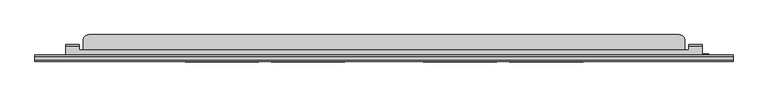
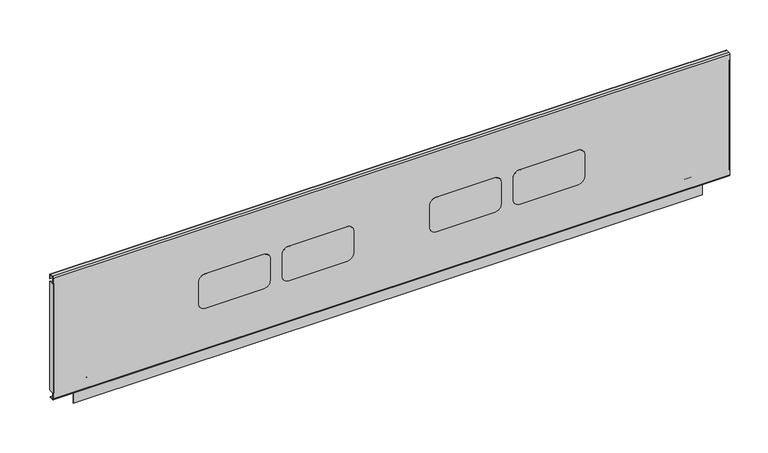
"""IFC4 building model written with IfcOpenShell, lengths in millimetres: furniture geometry."""

import ifcopenshell
import ifcopenshell.guid

model = None  # the IFC model being written
_history = None  # IfcOwnerHistory: only IFC2X3 demands one
_inside = {}  # id of a spatial element -> (the spatial element, [elements in it])
_under = {}  # id of a project, library or spatial element -> (it, [spatial elements below it])
_declared = {}  # id of a project -> (the project, [libraries it declares])
_typed = {}  # id of a type object -> (the type object, [elements of that type])
_made_of = {}  # id of a material, layer set ... -> (it, [elements and type objects made of it])


def new_model(schema):
    """Start an empty IFC model of exactly this schema.

    Asked for "IFC4X3", IfcOpenShell would pick the latest addendum, in which some entities
    have other attributes; the version numbers below select the first issue.
    IFC2X3 requires an IfcOwnerHistory on every rooted entity: one is made here for all.
    """
    global model, _history
    if schema == "IFC4X3":
        model = ifcopenshell.file(schema_version=(4, 3, 0, 0))
    else:
        model = ifcopenshell.file(schema=schema)
    _inside.clear()
    _under.clear()
    _declared.clear()
    _typed.clear()
    _made_of.clear()
    _history = None
    if model.schema == "IFC2X3":
        org = make("IfcOrganization", Name="unknown")
        user = make(
            "IfcPersonAndOrganization",
            ThePerson=make("IfcPerson", FamilyName="unknown"),
            TheOrganization=org,
        )
        app = make(
            "IfcApplication",
            ApplicationDeveloper=org,
            Version="unknown",
            ApplicationFullName="unknown",
            ApplicationIdentifier="unknown",
        )
        _history = make(
            "IfcOwnerHistory",
            OwningUser=user,
            OwningApplication=app,
            ChangeAction="ADDED",
            CreationDate=0,
        )
    return model


def make(cls, **values):
    """One entity of the class cls with the attributes given. An attribute that is None is left unset."""
    return model.create_entity(
        cls, **{name: value for name, value in values.items() if value is not None}
    )


def rooted(cls, **values):
    """An entity with a GlobalId (a new one), such as an element, a storey or a relation."""
    return make(cls, GlobalId=ifcopenshell.guid.new(), OwnerHistory=_history, **values)


def si_unit(unit_type, name, prefix=None):
    """IfcSIUnit, for example si_unit("LENGTHUNIT", "METRE", prefix="MILLI")."""
    return make("IfcSIUnit", UnitType=unit_type, Prefix=prefix, Name=name)


def assignment(units):
    """IfcUnitAssignment: the units of a project."""
    return None if units is None else make("IfcUnitAssignment", Units=units)


def point(xyz):
    """IfcCartesianPoint."""
    return None if xyz is None else make("IfcCartesianPoint", Coordinates=xyz)


def direction(xyz):
    """IfcDirection."""
    return None if xyz is None else make("IfcDirection", DirectionRatios=xyz)


def frame(location, z_axis=None, x_axis=None):
    """IfcAxis2Placement3D, a coordinate frame: its origin and axes. An axis left out is left unset."""
    return make(
        "IfcAxis2Placement3D",
        Location=point(location),
        Axis=direction(z_axis),
        RefDirection=direction(x_axis),
    )


def frame_2d(location, x_axis=None):
    """IfcAxis2Placement2D, a coordinate frame in the plane: its origin and x axis."""
    return make(
        "IfcAxis2Placement2D", Location=point(location), RefDirection=direction(x_axis)
    )


def origin():
    """The frame at (0, 0, 0) with its axes left unset."""
    return frame((0.0, 0.0, 0.0))


def place(relative_to, where):
    """IfcLocalPlacement: puts the frame where relative to a parent placement (None: the world)."""
    return make(
        "IfcLocalPlacement", PlacementRelTo=relative_to, RelativePlacement=where
    )


def context(
    kind, dimensions, precision=None, world=None, true_north=None, identifier=None
):
    """IfcGeometricRepresentationContext, for example the 3D "Model" context."""
    return make(
        "IfcGeometricRepresentationContext",
        ContextIdentifier=identifier,
        ContextType=kind,
        CoordinateSpaceDimension=dimensions,
        Precision=precision,
        WorldCoordinateSystem=world,
        TrueNorth=true_north,
    )


def project(units=None, contexts=None):
    """IfcProject with its units and contexts."""
    return rooted(
        "IfcProject",
        Name="project",
        RepresentationContexts=contexts,
        UnitsInContext=assignment(units),
    )


def spatial(cls, under=None, at=None, **own):
    """A site, building, storey or space (cls), placed at a placement, below another one or the project."""
    s = rooted(cls, ObjectPlacement=at, **own)
    if under is not None:
        _under.setdefault(under.id(), (under, []))[1].append(s)
    return s


def polyline(points):
    """IfcPolyline through the points."""
    return make("IfcPolyline", Points=[point(p) for p in points])


def circle_curve(where, radius):
    """IfcCircle in the frame where."""
    return make("IfcCircle", Position=where, Radius=radius)


def trimmed(basis, trim1, trim2, sense, master):
    """IfcTrimmedCurve: the piece of a basis curve between two trims."""
    return make(
        "IfcTrimmedCurve",
        BasisCurve=basis,
        Trim1=trim1,
        Trim2=trim2,
        SenseAgreement=sense,
        MasterRepresentation=master,
    )


def segment(curve, same_sense, transition):
    """IfcCompositeCurveSegment."""
    return make(
        "IfcCompositeCurveSegment",
        Transition=transition,
        SameSense=same_sense,
        ParentCurve=curve,
    )


def composite_curve(segments, self_intersect=None):
    """IfcCompositeCurve: segments joined end to end."""
    return make("IfcCompositeCurve", Segments=segments, SelfIntersect=self_intersect)


def outline(outer, holes=None, kind="AREA"):
    """IfcArbitraryClosedProfileDef: a profile drawn as a closed curve; with holes, ...WithVoids."""
    if holes is None:
        return make("IfcArbitraryClosedProfileDef", ProfileType=kind, OuterCurve=outer)
    return make(
        "IfcArbitraryProfileDefWithVoids",
        ProfileType=kind,
        OuterCurve=outer,
        InnerCurves=holes,
    )


def extrude(swept, where, along, depth):
    """IfcExtrudedAreaSolid: the profile swept, set in the frame where, extruded along a direction by depth."""
    return make(
        "IfcExtrudedAreaSolid",
        SweptArea=swept,
        Position=where,
        ExtrudedDirection=direction(along),
        Depth=depth,
    )


def shape(context_of_items, identifier, shape_type, items):
    """IfcShapeRepresentation: the items that make up one representation, for example the "Body"."""
    return make(
        "IfcShapeRepresentation",
        ContextOfItems=context_of_items,
        RepresentationIdentifier=identifier,
        RepresentationType=shape_type,
        Items=items,
    )


def source(mapping_origin, context_of_items, identifier, shape_type, items):
    """IfcRepresentationMap: a shape defined once, which mapped items show again and again."""
    return make(
        "IfcRepresentationMap",
        MappingOrigin=mapping_origin,
        MappedRepresentation=shape(context_of_items, identifier, shape_type, items),
    )


def transform(
    local_origin,
    x_axis=None,
    y_axis=None,
    z_axis=None,
    scale=None,
    scale2=None,
    scale3=None,
    uniform=True,
):
    """IfcCartesianTransformationOperator3D, or its non-uniform kind. x_axis, y_axis, z_axis: its Axis1, 2, 3."""
    if uniform:
        return make(
            "IfcCartesianTransformationOperator3D",
            Axis1=direction(x_axis),
            Axis2=direction(y_axis),
            LocalOrigin=point(local_origin),
            Scale=scale,
            Axis3=direction(z_axis),
        )
    return make(
        "IfcCartesianTransformationOperator3DnonUniform",
        Axis1=direction(x_axis),
        Axis2=direction(y_axis),
        LocalOrigin=point(local_origin),
        Scale=scale,
        Axis3=direction(z_axis),
        Scale2=scale2,
        Scale3=scale3,
    )


def mapped(mapping_source, mapping_target):
    """IfcMappedItem: shows the shape of a source again, moved by a transform."""
    return make(
        "IfcMappedItem", MappingSource=mapping_source, MappingTarget=mapping_target
    )


def made_of(thing, what):
    """Note that an element or type object is made of a material, layer set ...; save() writes the relation."""
    if what is not None:
        _made_of.setdefault(what.id(), (what, []))[1].append(thing)
    return thing


def element(
    cls,
    number,
    at=None,
    inside=None,
    cuts=None,
    type_object=None,
    material=None,
    context=None,
    identifier="Body",
    shape_type=None,
    held_by="IfcProductDefinitionShape",
    body=None,
    shapes=None,
    **own,
):
    """One element of the class cls, such as IfcWall. Its Tag is "e" and its number.

    at: its placement. inside: the storey or other place that contains it. cuts: it is an
    opening in that element (IfcRelVoidsElement). A single representation is given by context,
    identifier, shape_type and body (its items); several are given by shapes. held_by: the class
    of the entity that holds the representations. save() writes the other relations.
    """
    e = rooted(cls, Tag="e%d" % number, ObjectPlacement=at, **own)
    if body is not None:
        shapes = [shape(context, identifier, shape_type, body)]
    if shapes is not None:
        e.Representation = make(held_by, Representations=shapes)
    if inside is not None:
        _inside.setdefault(inside.id(), (inside, []))[1].append(e)
    if cuts is not None:
        rooted(
            "IfcRelVoidsElement", RelatingBuildingElement=cuts, RelatedOpeningElement=e
        )
    if type_object is not None:
        _typed.setdefault(type_object.id(), (type_object, []))[1].append(e)
    return made_of(e, material)


def aggregate(whole, parts):
    """IfcRelAggregates: a whole, such as a stair, and the parts it consists of."""
    return rooted("IfcRelAggregates", RelatingObject=whole, RelatedObjects=parts)


def save(model, path):
    """Write the relations noted so far, then the file.

    IfcRelAggregates (storeys below a building ...), IfcRelContainedInSpatialStructure (elements
    in a storey), IfcRelDefinesByType, IfcRelAssociatesMaterial and IfcRelDeclares: one each for
    every whole, place, type object, material and project.
    """
    for whole, parts in _under.values():
        aggregate(whole, parts)
    for where, things in _inside.values():
        rooted(
            "IfcRelContainedInSpatialStructure",
            RelatedElements=things,
            RelatingStructure=where,
        )
    for kind, things in _typed.values():
        rooted("IfcRelDefinesByType", RelatedObjects=things, RelatingType=kind)
    for what, things in _made_of.values():
        rooted("IfcRelAssociatesMaterial", RelatedObjects=things, RelatingMaterial=what)
    for by, libraries in _declared.values():
        rooted("IfcRelDeclares", RelatingContext=by, RelatedDefinitions=libraries)
    model.write(path)


def plane_surface(at):
    """IfcPlane: the flat surface through the origin of the frame at, square to its z axis."""
    return make("IfcPlane", Position=at)


def cylinder_surface(at, radius):
    """IfcCylindricalSurface: all points at the distance radius from the z axis of the frame at."""
    return make("IfcCylindricalSurface", Position=at, Radius=radius)


def revolved_surface(curve, axis_point, axis_direction):
    """IfcSurfaceOfRevolution: the curve turned about the line through axis_point along axis_direction."""
    return make(
        "IfcSurfaceOfRevolution",
        SweptCurve=make("IfcArbitraryOpenProfileDef", ProfileType="CURVE", Curve=curve),
        AxisPosition=make("IfcAxis1Placement", Location=point(axis_point), Axis=direction(axis_direction)),
    )


def advanced_brep(points, edges, surfaces, faces):
    """IfcAdvancedBrep: a solid bounded by faces that lie on surfaces and meet in shared edges.

    An edge is (start, end): straight between two places in points (the first is 0);
    or (start, end, curve); or (start, end, curve, False) where it runs against its curve.
    A face is (place in surfaces, loops), or (place, loops, False) where it looks against
    its surface's normal. A loop lists edges by number (the first is 1), with a minus sign
    where the edge is run from its end to its start. The first loop is the outer one.
    """
    corners = [point(p) for p in points]
    vertices = [make("IfcVertexPoint", VertexGeometry=c) for c in corners]
    made = []
    for start, end, *more in edges:
        made.append(
            make(
                "IfcEdgeCurve",
                EdgeStart=vertices[start],
                EdgeEnd=vertices[end],
                EdgeGeometry=more[0] if more else make("IfcPolyline", Points=[corners[start], corners[end]]),
                SameSense=more[1] if len(more) > 1 else True,
            )
        )
    hull = []
    for where, loops, *sense in faces:
        bounds = []
        for j, loop in enumerate(loops):
            ring = [make("IfcOrientedEdge", EdgeElement=made[abs(k) - 1], Orientation=k > 0) for k in loop]
            bounds.append(
                make(
                    "IfcFaceOuterBound" if j == 0 else "IfcFaceBound",
                    Bound=make("IfcEdgeLoop", EdgeList=ring),
                    Orientation=True,
                )
            )
        hull.append(make("IfcAdvancedFace", Bounds=bounds, FaceSurface=surfaces[where], SameSense=sense[0] if sense else True))
    return make("IfcAdvancedBrep", Outer=make("IfcClosedShell", CfsFaces=hull))


def furniture_a1b14a3f(model_context):
    return source(origin(), model_context, "Body", "SolidModel", [
        advanced_brep(
        [(1000.4385851, -189.0734003, 484.7619804), (1000.4385851, -188.2141807, 484.7619804), (1000.4385851, -188.2141807, 502.7217435), (1000.4385851, -190.2544323, 504.7619951), (1000.4385851, -205.2802599, 504.7619951), (1000.4385851, -205.2802599, 503.9524031), (1000.4385851, -190.6453154, 503.9524031), (1000.4385851, -189.0734003, 502.380488), (66.3614013, -189.0734003, 484.7619804), (66.3614013, -189.0734003, 502.380488), (66.3614013, -190.6453154, 503.9524031), (66.3614013, -205.2802599, 503.9524031), (66.3614013, -205.2802599, 504.7619951), (66.3614013, -190.2544323, 504.7619951), (66.3614013, -188.2141807, 502.7217435), (66.3614013, -188.2141807, 484.7619804), (980.4385704, -189.0734003, 484.7619804), (980.4385704, -188.2141807, 484.7619804), (86.3614023, -188.2141807, 484.7619804), (86.3614023, -189.0734003, 484.7619804), (980.4385704, -188.2141807, 502.7217435), (86.3614023, -188.2141807, 502.7217435), (980.4385704, -190.2544323, 504.7619951), (86.3614023, -190.2544323, 504.7619951), (980.4385704, -196.3134, 504.7619951), (86.3614023, -196.3134, 504.7619951), (86.3614023, -190.6453154, 503.9524031), (86.3614023, -196.3134, 503.9524031), (980.4385704, -196.3134, 503.9524031), (980.4385704, -190.6453154, 503.9524031), (980.4385704, -189.0734003, 502.380488), (86.3614023, -189.0734003, 502.380488)],
        [
            (0, 1),
            (1, 2),
            (2, 3, circle_curve(frame((1000.4385851, -190.2544323, 502.7217435), z_axis=(1.0, 0.0, 0.0), x_axis=(0.0, 1.0, 0.0)), 2.0402516)),
            (3, 4),
            (4, 5),
            (5, 6),
            (6, 7, circle_curve(frame((1000.4385851, -190.6453154, 502.380488), z_axis=(-1.0, 0.0, 0.0), x_axis=(0.0, 1.0, 0.0)), 1.571915)),
            (7, 0),
            (8, 9),
            (9, 10, circle_curve(frame((66.3614013, -190.6453154, 502.380488), z_axis=(1.0, 0.0, 0.0), x_axis=(0.0, 1.0, 0.0)), 1.571915)),
            (10, 11),
            (11, 12),
            (12, 13),
            (13, 14, circle_curve(frame((66.3614013, -190.2544323, 502.7217435), z_axis=(-1.0, 0.0, 0.0), x_axis=(0.0, 1.0, 0.0)), 2.0402516)),
            (14, 15),
            (15, 8),
            (0, 16),
            (16, 17),
            (17, 1),
            (15, 18),
            (18, 19),
            (19, 8),
            (17, 20),
            (20, 2),
            (14, 21),
            (21, 18),
            (20, 22, circle_curve(frame((980.4385704, -190.2544323, 502.7217435), z_axis=(1.0, 0.0, 0.0), x_axis=(0.0, 1.0, 0.0)), 2.0402516)),
            (22, 3),
            (13, 23),
            (23, 21, circle_curve(frame((86.3614023, -190.2544323, 502.7217435), z_axis=(-1.0, 0.0, 0.0), x_axis=(0.0, 1.0, 0.0)), 2.0402516)),
            (22, 24),
            (24, 25),
            (25, 23),
            (12, 4),
            (11, 5),
            (10, 26),
            (26, 27),
            (27, 28),
            (28, 29),
            (29, 6),
            (29, 30, circle_curve(frame((980.4385704, -190.6453154, 502.380488), z_axis=(-1.0, 0.0, 0.0), x_axis=(0.0, 1.0, 0.0)), 1.571915)),
            (30, 7),
            (9, 31),
            (31, 26, circle_curve(frame((86.3614023, -190.6453154, 502.380488), z_axis=(1.0, 0.0, 0.0), x_axis=(0.0, 1.0, 0.0)), 1.571915)),
            (30, 16),
            (19, 31),
            (27, 25),
            (24, 28),
        ],
        [
            plane_surface(frame((1000.4385851, -189.0734003, 484.7619804), z_axis=(1.0, 0.0, 0.0), x_axis=(0.0, 1.0, 0.0))),
            plane_surface(frame((66.3614013, -189.0734003, 484.7619804), z_axis=(-1.0, 0.0, 0.0), x_axis=(0.0, -1.0, 0.0))),
            plane_surface(frame((1000.4385851, -189.0734003, 484.7619804), z_axis=(0.0, 0.0, -1.0), x_axis=(-1.0, 0.0, 0.0))),
            plane_surface(frame((1000.4385851, -188.2141807, 484.7619804), z_axis=(0.0, 1.0, 0.0), x_axis=(-1.0, 0.0, 0.0))),
            cylinder_surface(frame((66.3614013, -190.2544323, 502.7217435), z_axis=(1.0, 0.0, 0.0), x_axis=(0.0, 1.0, 0.0)), 2.0402516),
            plane_surface(frame((1000.4385851, -190.2544323, 504.7619951), z_axis=(0.0, 0.0, 1.0), x_axis=(-1.0, 0.0, 0.0))),
            plane_surface(frame((1000.4385851, -205.2802599, 504.7619951), z_axis=(0.0, -1.0, 0.0), x_axis=(-1.0, 0.0, 0.0))),
            plane_surface(frame((1000.4385851, -205.2802599, 503.9524031), z_axis=(0.0, 0.0, -1.0), x_axis=(-1.0, 0.0, 0.0))),
            revolved_surface(polyline([(980.4385704, -189.0734004, 502.380488), (1000.4385851, -189.0734004, 502.380488)]), (66.3614013, -190.6453154, 502.380488), (-1.0, 0.0, 0.0)),
            revolved_surface(polyline([(66.3614013, -189.0734004, 502.380488), (86.3614023, -189.0734004, 502.380488)]), (66.3614013, -190.6453154, 502.380488), (-1.0, 0.0, 0.0)),
            plane_surface(frame((1000.4385851, -189.0734003, 502.380488), z_axis=(0.0, -1.0, 0.0), x_axis=(-1.0, 0.0, 0.0))),
            plane_surface(frame((86.3614023, -196.3134, 504.7619951), z_axis=(0.0, 1.0, 0.0), x_axis=(0.0, 0.0, -1.0))),
            plane_surface(frame((980.4385704, -196.3134, 504.7619951), z_axis=(-1.0, 0.0, 0.0), x_axis=(0.0, 0.0, -1.0))),
            plane_surface(frame((86.3614023, -188.2141807, 504.7619951), z_axis=(1.0, 0.0, 0.0), x_axis=(0.0, 0.0, -1.0))),
        ],
        [
            (0, [[1, 2, 3, 4, 5, 6, 7, 8]]),
            (1, [[9, 10, 11, 12, 13, 14, 15, 16]]),
            (2, [[-1, 17, 18, 19]]),
            (2, [[-16, 20, 21, 22]]),
            (3, [[-2, -19, 23, 24]]),
            (3, [[-15, 25, 26, -20]]),
            (4, [[-3, -24, 27, 28]]),
            (4, [[-14, 29, 30, -25]]),
            (5, [[-4, -28, 31, 32, 33, -29, -13, 34]]),
            (6, [[-5, -34, -12, 35]]),
            (7, [[-6, -35, -11, 36, 37, 38, 39, 40]]),
            (8, [[-7, -40, 41, 42]]),
            (9, [[-10, 43, 44, -36]]),
            (10, [[-8, -42, 45, -17]]),
            (10, [[-9, -22, 46, -43]]),
            (11, [[47, -32, 48, -38]]),
            (12, [[-48, -31, -27, -23, -18, -45, -41, -39]]),
            (13, [[-47, -37, -44, -46, -21, -26, -30, -33]]),
        ],
    ),
        advanced_brep(
        [(1009.588608, -202.8234, 481.0000008), (1009.588608, -202.8234, 499.2323507), (1009.588608, -202.3166887, 500.0149173), (1009.588608, -202.3166887, 500.9515261), (1009.588608, -203.7334, 499.164291), (1009.588608, -203.7334, 481.0000008), (57.1999969, -203.7334, 481.0000008), (57.1999969, -203.7334, 499.164291), (57.1999969, -203.20254, 500.4554821), (57.1999969, -203.20254, 481.0000008), (66.3614013, -202.8234, 481.0000008), (66.3614013, -202.8234, 499.2323507), (66.3614013, -201.9657451, 500.0900056), (998.4385846, -201.9657451, 500.0900056), (998.4385846, -202.3166887, 500.0149173), (92.2113995, -181.7333994, 500.0900056), (93.2832, -177.7334005, 500.0900056), (96.2114006, -174.8051976, 500.0900056), (100.2114018, -173.7333994, 500.0900056), (966.6721778, -173.7333994, 500.0900056), (970.6721789, -174.8051976, 500.0900056), (973.6003795, -177.7334005, 500.0900056), (974.67218, -181.7333994, 500.0900056), (974.67218, -196.3134, 500.0900056), (998.4385846, -196.3134, 500.0900056), (66.3614013, -196.3134, 500.0900056), (92.2113995, -196.3134, 500.0900056), (100.2114018, -173.7333994, 500.9999791), (966.6721778, -173.7333994, 500.9999791), (93.2832, -177.7334005, 500.9999791), (92.2113995, -181.7333994, 500.9999791), (92.2113995, -196.3134, 500.9999791), (66.3614013, -196.3134, 500.9999791), (66.3614013, -201.8977118, 500.9999791), (998.4385846, -201.8977118, 500.9999791), (998.4385846, -196.3134, 500.9999791), (974.67218, -196.3134, 500.9999791), (974.67218, -181.7333994, 500.9999791), (973.6003795, -177.7334005, 500.9999791), (970.6721789, -174.8051976, 500.9999791), (96.2114006, -174.8051976, 500.9999791), (998.4385846, -202.3166887, 500.9515261), (66.3614013, -203.20254, 500.4554821), (66.3614013, -203.20254, 481.0000008)],
        [
            (0, 1),
            (1, 2, circle_curve(frame((1009.588608, -201.9657451, 499.2323507), z_axis=(-1.0, 0.0, 0.0), x_axis=(0.0, 1.0, 0.0)), 0.8576549)),
            (2, 3),
            (3, 4, circle_curve(frame((1009.588608, -201.8977118, 499.164291), z_axis=(1.0, 0.0, 0.0), x_axis=(0.0, 1.0, 0.0)), 1.8356882)),
            (4, 5),
            (5, 0),
            (6, 7),
            (7, 8, circle_curve(frame((57.1999969, -201.8977118, 499.164291), z_axis=(-1.0, 0.0, 0.0), x_axis=(0.0, 1.0, 0.0)), 1.8356882)),
            (8, 9),
            (9, 6),
            (0, 10),
            (10, 11),
            (11, 1),
            (11, 12, circle_curve(frame((66.3614013, -201.9657451, 499.2323507), z_axis=(-1.0, 0.0, 0.0), x_axis=(0.0, 1.0, 0.0)), 0.8576549)),
            (12, 13),
            (13, 14, circle_curve(frame((998.4385846, -201.9657451, 499.2323507), z_axis=(1.0, 0.0, 0.0), x_axis=(0.0, 1.0, 0.0)), 0.8576549)),
            (14, 2),
            (15, 16),
            (16, 17),
            (17, 18),
            (18, 19),
            (19, 20),
            (20, 21),
            (21, 22),
            (22, 23),
            (23, 24),
            (24, 13),
            (12, 25),
            (25, 26),
            (26, 15),
            (18, 27),
            (27, 28),
            (28, 19),
            (29, 30),
            (30, 31),
            (31, 32),
            (32, 33),
            (33, 34),
            (34, 35),
            (35, 36),
            (36, 37),
            (37, 38),
            (38, 39),
            (39, 28),
            (27, 40),
            (40, 29),
            (7, 4),
            (3, 41),
            (41, 34, circle_curve(frame((998.4385846, -201.8977118, 499.164291), z_axis=(-1.0, 0.0, 0.0), x_axis=(0.0, 1.0, 0.0)), 1.8356882)),
            (33, 42, circle_curve(frame((66.3614013, -201.8977118, 499.164291), z_axis=(1.0, 0.0, 0.0), x_axis=(0.0, 1.0, 0.0)), 1.8356882)),
            (42, 8),
            (6, 5),
            (9, 43),
            (43, 10),
            (15, 30),
            (29, 16),
            (40, 17),
            (42, 43),
            (32, 25),
            (31, 26),
            (21, 38),
            (37, 22),
            (20, 39),
            (14, 41),
            (24, 35),
            (23, 36),
        ],
        [
            plane_surface(frame((1009.588608, -202.8234, 494.4355179), z_axis=(1.0, 0.0, 0.0), x_axis=(0.0, 0.0, 1.0))),
            plane_surface(frame((57.1999969, -202.8234, 494.4355179), z_axis=(-1.0, 0.0, 0.0), x_axis=(0.0, 0.0, -1.0))),
            plane_surface(frame((1009.588608, -202.8234, 481.0000008), z_axis=(0.0, 1.0, 0.0), x_axis=(-1.0, 0.0, 0.0))),
            revolved_surface(polyline([(66.3614013, -201.1080902, 499.2323507), (1009.588608, -201.1080902, 499.2323507)]), (57.1999969, -201.9657451, 499.2323507), (-1.0, 0.0, 0.0)),
            plane_surface(frame((1009.588608, -201.9657451, 500.0900056), z_axis=(0.0, 0.0, -1.0), x_axis=(-1.0, 0.0, 0.0))),
            plane_surface(frame((1009.588608, -173.7333994, 500.0900056), z_axis=(0.0, 1.0, 0.0), x_axis=(-1.0, 0.0, 0.0))),
            plane_surface(frame((1009.588608, -173.7333994, 500.9999791), z_axis=(0.0, 0.0, 1.0), x_axis=(-1.0, 0.0, 0.0))),
            cylinder_surface(frame((57.1999969, -201.8977118, 499.164291), z_axis=(1.0, 0.0, 0.0), x_axis=(0.0, 1.0, 0.0)), 1.8356882),
            plane_surface(frame((1009.588608, -203.7334, 499.164291), z_axis=(0.0, -1.0, 0.0), x_axis=(-1.0, 0.0, 0.0))),
            plane_surface(frame((1009.588608, -203.7334, 481.0000008), z_axis=(0.0, 0.0, -1.0), x_axis=(-1.0, 0.0, 0.0))),
            plane_surface(frame((92.2113995, -181.7333994, 533.1392388), z_axis=(-0.9659255828324517, 0.2588199536932742, 0.0), x_axis=(0.0, 0.0, -1.0))),
            plane_surface(frame((93.2832, -177.7334005, 533.1392388), z_axis=(-0.707107055381215, 0.7071065069917737, 0.0), x_axis=(0.0, 0.0, -1.0))),
            plane_surface(frame((96.2114006, -174.8051976, 533.1392388), z_axis=(-0.25881930494190625, 0.9659257566652774, 0.0), x_axis=(0.0, 0.0, -1.0))),
            plane_surface(frame((57.2114011, -203.20254, 533.1392388), z_axis=(0.0, 1.0, 0.0), x_axis=(0.0, 0.0, -1.0))),
            plane_surface(frame((66.3614013, -203.20254, 533.1392388), z_axis=(-1.0, 0.0, 0.0), x_axis=(0.0, 0.0, -1.0))),
            plane_surface(frame((66.3614013, -196.3134, 533.1392388), z_axis=(0.0, 1.0, 0.0), x_axis=(0.0, 0.0, -1.0))),
            plane_surface(frame((92.2113995, -196.3134, 533.1392388), z_axis=(-1.0, 0.0, 0.0), x_axis=(0.0, 0.0, -1.0))),
            plane_surface(frame((973.6003795, -177.7334005, 531.699196), z_axis=(0.9659255828324517, 0.2588199536932742, 0.0), x_axis=(0.0, 0.0, -1.0))),
            plane_surface(frame((970.6721789, -174.8051976, 531.699196), z_axis=(0.707107055381215, 0.7071065069917737, 0.0), x_axis=(0.0, 0.0, -1.0))),
            plane_surface(frame((966.6721778, -173.7333994, 531.699196), z_axis=(0.25881930494190625, 0.9659257566652774, 0.0), x_axis=(0.0, 0.0, -1.0))),
            plane_surface(frame((998.4385846, -202.3166887, 531.699196), z_axis=(0.0, 1.0, 0.0), x_axis=(0.0, 0.0, -1.0))),
            plane_surface(frame((998.4385846, -196.3134, 531.699196), z_axis=(1.0, 0.0, 0.0), x_axis=(0.0, 0.0, -1.0))),
            plane_surface(frame((974.67218, -196.3134, 531.699196), z_axis=(0.0, 1.0, 0.0), x_axis=(0.0, 0.0, -1.0))),
            plane_surface(frame((974.67218, -181.7333994, 531.699196), z_axis=(1.0, 0.0, 0.0), x_axis=(0.0, 0.0, -1.0))),
        ],
        [
            (0, [[1, 2, 3, 4, 5, 6]]),
            (1, [[7, 8, 9, 10]]),
            (2, [[-1, 11, 12, 13]]),
            (3, [[-13, 14, 15, 16, 17, -2]]),
            (4, [[18, 19, 20, 21, 22, 23, 24, 25, 26, 27, -15, 28, 29, 30]]),
            (5, [[31, 32, 33, -21]]),
            (6, [[34, 35, 36, 37, 38, 39, 40, 41, 42, 43, 44, -32, 45, 46]]),
            (7, [[47, -4, 48, 49, -38, 50, 51, -8]]),
            (8, [[-5, -47, -7, 52]]),
            (9, [[-6, -52, -10, 53, 54, -11]]),
            (10, [[55, -34, 56, -18]]),
            (11, [[-56, -46, 57, -19]]),
            (12, [[-57, -45, -31, -20]]),
            (13, [[58, -53, -9, -51]]),
            (14, [[-58, -50, -37, 59, -28, -14, -12, -54]]),
            (15, [[-59, -36, 60, -29]]),
            (16, [[-55, -30, -60, -35]]),
            (17, [[61, -42, 62, -24]]),
            (18, [[-61, -23, 63, -43]]),
            (19, [[-63, -22, -33, -44]]),
            (20, [[64, -48, -3, -17]]),
            (21, [[-64, -16, -27, 65, -39, -49]]),
            (22, [[-65, -26, 66, -40]]),
            (23, [[-66, -25, -62, -41]]),
        ],
    ),
        extrude(outline(composite_curve([segment(polyline([(616.0389877, 241.558802), (580.6970512, 241.558802)]), True, "CONTINUOUS"), segment(trimmed(circle_curve(frame_2d((580.6970512, 251.094023)), 9.535221), [point((580.6970512, 241.558802))], [point((571.1618302, 251.094023))], False, "CARTESIAN"), True, "CONTINUOUS"), segment(polyline([(571.1618302, 251.094023), (571.1618302, 339.7669938)]), True, "CONTINUOUS"), segment(trimmed(circle_curve(frame_2d((580.9036446, 339.7669938)), 9.7418143), [point((571.1618302, 339.7669938))], [point((580.9036446, 349.5088081))], False, "CARTESIAN"), True, "CONTINUOUS"), segment(polyline([(580.9036446, 349.5088081), (616.7203082, 349.5088081)]), True, "CONTINUOUS"), segment(trimmed(circle_curve(frame_2d((616.7203082, 340.2032762)), 9.3055319), [point((616.7203082, 349.5088081))], [point((626.0258401, 340.2032762))], False, "CARTESIAN"), True, "CONTINUOUS"), segment(polyline([(626.0258401, 340.2032762), (626.0258401, 251.5456544)]), True, "CONTINUOUS"), segment(trimmed(circle_curve(frame_2d((616.0389877, 251.5456544)), 9.9868524), [point((626.0258401, 251.5456544))], [point((616.0389877, 241.558802))], False, "CARTESIAN"), True, "CONTINUOUS")], self_intersect=False)), frame((0.0, -213.6020823, 0.0), z_axis=(0.0, 1.0, 0.0), x_axis=(0.0, 0.0, 1.0)), (0.0, 0.0, 1.0), 0.2886826),
        extrude(outline(composite_curve([segment(polyline([(616.0389877, 367.8476051), (580.6970512, 367.8476051)]), True, "CONTINUOUS"), segment(trimmed(circle_curve(frame_2d((580.6970512, 377.3828261)), 9.535221), [point((580.6970512, 367.8476051))], [point((571.1618302, 377.3828261))], False, "CARTESIAN"), True, "CONTINUOUS"), segment(polyline([(571.1618302, 377.3828261), (571.1618302, 466.0557787)]), True, "CONTINUOUS"), segment(trimmed(circle_curve(frame_2d((580.9036446, 466.0557787)), 9.7418143), [point((571.1618302, 466.0557787))], [point((580.9036446, 475.797593))], False, "CARTESIAN"), True, "CONTINUOUS"), segment(polyline([(580.9036446, 475.797593), (616.7203082, 475.797593)]), True, "CONTINUOUS"), segment(trimmed(circle_curve(frame_2d((616.7203082, 466.4920611)), 9.3055319), [point((616.7203082, 475.797593))], [point((626.0258401, 466.4920611))], False, "CARTESIAN"), True, "CONTINUOUS"), segment(polyline([(626.0258401, 466.4920611), (626.0258401, 377.8344575)]), True, "CONTINUOUS"), segment(trimmed(circle_curve(frame_2d((616.0389877, 377.8344575)), 9.9868524), [point((626.0258401, 377.8344575))], [point((616.0389877, 367.8476051))], False, "CARTESIAN"), True, "CONTINUOUS")], self_intersect=False)), frame((0.0, -213.6020823, 0.0), z_axis=(0.0, 1.0, 0.0), x_axis=(0.0, 0.0, 1.0)), (0.0, 0.0, 1.0), 0.2886826),
        extrude(outline(composite_curve([segment(polyline([(616.0389877, 591.1851962), (580.6970512, 591.1851962)]), True, "CONTINUOUS"), segment(trimmed(circle_curve(frame_2d((580.6970512, 600.7204172)), 9.535221), [point((580.6970512, 591.1851962))], [point((571.1618302, 600.7204172))], False, "CARTESIAN"), True, "CONTINUOUS"), segment(polyline([(571.1618302, 600.7204172), (571.1618302, 689.3933698)]), True, "CONTINUOUS"), segment(trimmed(circle_curve(frame_2d((580.9036446, 689.3933698)), 9.7418143), [point((571.1618302, 689.3933698))], [point((580.9036446, 699.1351841))], False, "CARTESIAN"), True, "CONTINUOUS"), segment(polyline([(580.9036446, 699.1351841), (616.7203082, 699.1351841)]), True, "CONTINUOUS"), segment(trimmed(circle_curve(frame_2d((616.7203082, 689.8296522)), 9.3055319), [point((616.7203082, 699.1351841))], [point((626.0258401, 689.8296522))], False, "CARTESIAN"), True, "CONTINUOUS"), segment(polyline([(626.0258401, 689.8296522), (626.0258401, 601.1720486)]), True, "CONTINUOUS"), segment(trimmed(circle_curve(frame_2d((616.0389877, 601.1720486)), 9.9868524), [point((626.0258401, 601.1720486))], [point((616.0389877, 591.1851962))], False, "CARTESIAN"), True, "CONTINUOUS")], self_intersect=False)), frame((0.0, -213.6020823, 0.0), z_axis=(0.0, 1.0, 0.0), x_axis=(0.0, 0.0, 1.0)), (0.0, 0.0, 1.0), 0.2886826),
        extrude(outline(composite_curve([segment(polyline([(616.0389877, 717.4739811), (580.6970512, 717.4739811)]), True, "CONTINUOUS"), segment(trimmed(circle_curve(frame_2d((580.6970512, 727.0092021)), 9.535221), [point((580.6970512, 717.4739811))], [point((571.1618302, 727.0092021))], False, "CARTESIAN"), True, "CONTINUOUS"), segment(polyline([(571.1618302, 727.0092021), (571.1618302, 815.6821729)]), True, "CONTINUOUS"), segment(trimmed(circle_curve(frame_2d((580.9036446, 815.6821729)), 9.7418143), [point((571.1618302, 815.6821729))], [point((580.9036446, 825.4239872))], False, "CARTESIAN"), True, "CONTINUOUS"), segment(polyline([(580.9036446, 825.4239872), (616.7203082, 825.4239872)]), True, "CONTINUOUS"), segment(trimmed(circle_curve(frame_2d((616.7203082, 816.1184553)), 9.3055319), [point((616.7203082, 825.4239872))], [point((626.0258401, 816.1184553))], False, "CARTESIAN"), True, "CONTINUOUS"), segment(polyline([(626.0258401, 816.1184553), (626.0258401, 727.4608335)]), True, "CONTINUOUS"), segment(trimmed(circle_curve(frame_2d((616.0389877, 727.4608335)), 9.9868524), [point((626.0258401, 727.4608335))], [point((616.0389877, 717.4739811))], False, "CARTESIAN"), True, "CONTINUOUS")], self_intersect=False)), frame((0.0, -213.6020823, 0.0), z_axis=(0.0, 1.0, 0.0), x_axis=(0.0, 0.0, 1.0)), (0.0, 0.0, 1.0), 0.2886826),
        extrude(outline(composite_curve([segment(trimmed(circle_curve(frame_2d((-206.9291712, 686.8262094)), 3.1957713), [point((-206.9291712, 690.0219807))], [point((-203.7334, 686.8262094))], False, "CARTESIAN"), True, "CONTINUOUS"), segment(polyline([(-203.7334, 686.8262094), (-203.7334, 518.3179711)]), True, "CONTINUOUS"), segment(trimmed(circle_curve(frame_2d((-207.0693602, 518.3179711)), 3.3359602), [point((-203.7334, 518.3179711))], [point((-207.0693602, 514.9820108))], False, "CARTESIAN"), True, "CONTINUOUS"), segment(polyline([(-207.0693602, 514.9820108), (-213.3133997, 514.9820108), (-213.3133997, 690.0219807), (-206.9291712, 690.0219807)]), True, "CONTINUOUS")], self_intersect=False)), frame((1044.6225161, 0.0, 0.0), z_axis=(1.0, 0.0, 0.0), x_axis=(0.0, 1.0, 0.0)), (0.0, 0.0, 1.0), 0.8160839),
        extrude(outline(composite_curve([segment(trimmed(circle_curve(frame_2d((-206.9291712, 686.8262094)), 3.1957713), [point((-206.9291712, 690.0219807))], [point((-203.7334, 686.8262094))], False, "CARTESIAN"), True, "CONTINUOUS"), segment(polyline([(-203.7334, 686.8262094), (-203.7334, 518.3179711)]), True, "CONTINUOUS"), segment(trimmed(circle_curve(frame_2d((-207.0693602, 518.3179711)), 3.3359602), [point((-203.7334, 518.3179711))], [point((-207.0693602, 514.9820108))], False, "CARTESIAN"), True, "CONTINUOUS"), segment(polyline([(-207.0693602, 514.9820108), (-213.3133997, 514.9820108), (-213.3133997, 690.0219807), (-206.9291712, 690.0219807)]), True, "CONTINUOUS")], self_intersect=False)), frame((21.3614, 0.0, 0.0), z_axis=(1.0, 0.0, 0.0), x_axis=(0.0, 1.0, 0.0)), (0.0, 0.0, 1.0), 0.8160953),
        extrude(outline(composite_curve([segment(trimmed(circle_curve(frame_2d((-211.2812247, 505.9349516)), 1.1729565), [point((-212.4541812, 505.9349516))], [point((-211.2812247, 504.7619951))], True, "CARTESIAN"), True, "CONTINUOUS"), segment(polyline([(-211.2812247, 504.7619951), (-205.2802599, 504.7619951), (-205.2802599, 503.9524031), (-211.0210029, 503.9524031)]), True, "CONTINUOUS"), segment(trimmed(circle_curve(frame_2d((-211.0210029, 506.2447998)), 2.2923967), [point((-211.0210029, 503.9524031))], [point((-213.3133997, 506.2447998))], False, "CARTESIAN"), True, "CONTINUOUS"), segment(polyline([(-213.3133997, 506.2447998), (-213.3133997, 698.9356498)]), True, "CONTINUOUS"), segment(trimmed(circle_curve(frame_2d((-211.2470704, 698.9356498)), 2.0663293), [point((-213.3133997, 698.9356498))], [point((-211.2470704, 701.0019791))], False, "CARTESIAN"), True, "CONTINUOUS"), segment(polyline([(-211.2470704, 701.0019791), (-205.8421502, 701.0019791)]), True, "CONTINUOUS"), segment(trimmed(circle_curve(frame_2d((-205.8421502, 698.8591335)), 2.1428456), [point((-205.8421502, 701.0019791))], [point((-203.6993046, 698.8591335))], False, "CARTESIAN"), True, "CONTINUOUS"), segment(polyline([(-203.6993046, 698.8591335), (-203.6993046, 693.0032856), (-204.4934, 693.0032856), (-204.4934, 698.9068456)]), True, "CONTINUOUS"), segment(trimmed(circle_curve(frame_2d((-205.8285508, 698.9068456)), 1.3351508), [point((-204.4934, 698.9068456))], [point((-205.8285508, 700.2419964))], True, "CARTESIAN"), True, "CONTINUOUS"), segment(polyline([(-205.8285508, 700.2419964), (-211.1847197, 700.2419964)]), True, "CONTINUOUS"), segment(trimmed(circle_curve(frame_2d((-211.1847197, 698.9725349)), 1.2694615), [point((-211.1847197, 700.2419964))], [point((-212.4541812, 698.9725349))], True, "CARTESIAN"), True, "CONTINUOUS"), segment(polyline([(-212.4541812, 698.9725349), (-212.4541812, 505.9349516)]), True, "CONTINUOUS")], self_intersect=False)), frame((21.3614, 0.0, 0.0), z_axis=(1.0, 0.0, 0.0), x_axis=(0.0, 1.0, 0.0)), (0.0, 0.0, 1.0), 1024.0772),
    ])


if __name__ == "__main__":
    model = new_model("IFC4")
    model_context = context("Model", 3, world=origin())
    ifc_project = project(units=[si_unit("LENGTHUNIT", "METRE", prefix="MILLI")], contexts=[model_context])
    site = spatial("IfcSite", under=ifc_project)
    building = spatial("IfcBuilding", under=site)
    placement = place(None, origin())
    furniture_shape = furniture_a1b14a3f(model_context)
    element("IfcFurniture", 1, at=placement, inside=building, context=model_context, shape_type="MappedRepresentation", body=[
        mapped(furniture_shape, transform((0.0, 0.0, 0.0), x_axis=(1.0, 0.0, 0.0), y_axis=(0.0, 1.0, 0.0), z_axis=(0.0, 0.0, 1.0))),
    ])
    save(model, "model.ifc")
